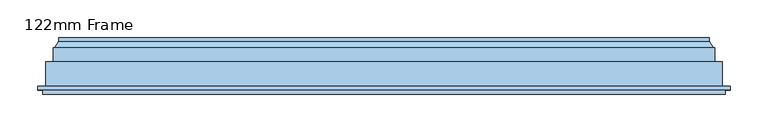
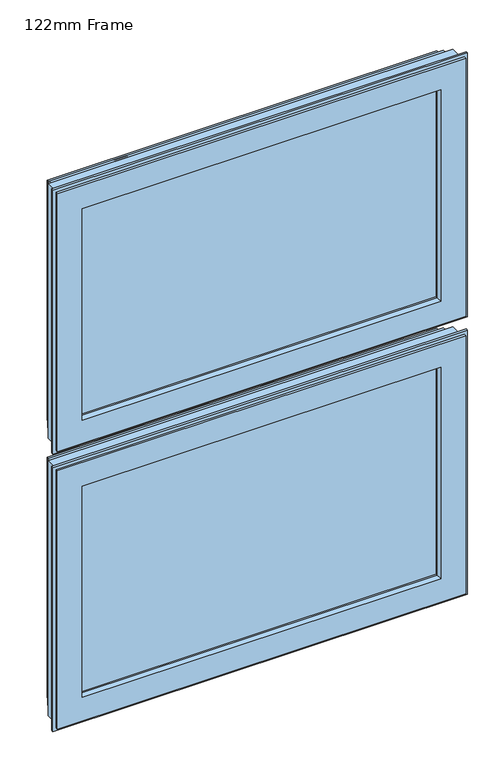
"""IFC4 building model written with IfcOpenShell, lengths in millimetres: window geometry, 122mm Frame."""

from ifc_helpers import new_model, si_unit, frame, origin, place, context, project, spatial, polyline, ellipse_curve, outline, extrude, source, transform, mapped, element, save
from ifc_brep_helpers import plane_surface, cylinder_surface, revolved_surface, advanced_brep


def window_122mm_frame_80c4ec5c(model_context):
    return source(origin(), model_context, "Body", "SolidModel", [
        advanced_brep(
        [(-432.3998467, 153.0, 2168.9334867), (-432.3998467, 148.4070391, 2168.9334867), (-432.3998467, 148.4070391, 2732.3998467), (-432.3998467, 153.0, 2732.3998467), (-437.6739389, 139.5531262, 2163.6593944), (-437.6739389, 139.5531262, 2737.6739389), (-439.5133955, 139.5531262, 2161.8199378), (-439.5133955, 121.0, 2161.8199378), (-439.5133955, 121.0, 2739.5133955), (-439.5133955, 139.5531262, 2739.5133955), (-449.5133955, 121.0, 2151.8199378), (-449.5133955, 88.5, 2151.8199378), (-449.5133955, 88.5, 2749.5133955), (-449.5133955, 121.0, 2749.5133955), (-460.2977, 88.5, 2141.0356334), (-460.2977, 83.5, 2141.0356334), (-460.2977, 83.5, 2760.2977), (-460.2977, 88.5, 2760.2977), (-453.5, 83.5, 2147.8333333), (-453.5, 78.0, 2147.8333333), (-453.5, 78.0, 2753.5), (-453.5, 83.5, 2753.5), (-398.3157816, 78.0, 2203.0175517), (-396.0003067, 88.8934531, 2205.3330267), (-396.0003067, 88.8934531, 2696.0003067), (-398.3157816, 78.0, 2698.3157816), (-396.0003067, 93.0, 2205.3330267), (-396.0003067, 93.0, 2696.0003067), (-410.0, 93.0, 2191.3333333), (-410.0, 141.0, 2191.3333333), (-410.0, 141.0, 2710.0), (-410.0, 93.0, 2710.0), (-395.5878486, 141.0, 2205.7454848), (-399.2566168, 153.0, 2202.0767166), (-399.2566168, 153.0, 2699.2566168), (-395.5878486, 141.0, 2695.5878486), (-406.0349044, 153.0, 2195.298429), (-407.3339425, 152.25, 2193.9993908), (-407.3339425, 152.25, 2707.3339425), (-406.0349044, 153.0, 2706.0349044), (-411.6640695, 152.25, 2189.6692638), (-411.6640695, 152.25, 2711.6640695), (-412.9631076, 153.0, 2188.3702257), (-412.9631076, 153.0, 2712.9631076), (432.3998467, 148.4070391, 2732.3998467), (432.3998467, 153.0, 2732.3998467), (437.6739389, 139.5531262, 2737.6739389), (439.5133955, 121.0, 2739.5133955), (439.5133955, 139.5531262, 2739.5133955), (449.5133955, 88.5, 2749.5133955), (449.5133955, 121.0, 2749.5133955), (460.2976999, 83.5, 2760.2977), (460.2976999, 88.5, 2760.2977), (453.5, 78.0, 2753.5), (453.5, 83.5, 2753.5), (396.0003067, 88.8934531, 2696.0003067), (398.3157816, 78.0, 2698.3157816), (396.0003067, 93.0, 2696.0003067), (410.0, 141.0, 2710.0), (410.0, 93.0, 2710.0), (399.2566168, 153.0, 2699.2566168), (395.5878486, 141.0, 2695.5878486), (407.3339425, 152.25, 2707.3339425), (406.0349044, 153.0, 2706.0349044), (411.6640695, 152.25, 2711.6640695), (412.9631076, 153.0, 2712.9631076), (432.3998467, 148.4070391, 2168.9334867), (432.3998467, 153.0, 2168.9334867), (437.6739389, 139.5531262, 2163.6593944), (439.5133955, 121.0, 2161.8199378), (439.5133955, 139.5531262, 2161.8199378), (449.5133955, 88.5, 2151.8199378), (449.5133955, 121.0, 2151.8199378), (460.2976999, 83.5, 2141.0356334), (460.2976999, 88.5, 2141.0356334), (453.5, 78.0, 2147.8333333), (453.5, 83.5, 2147.8333333), (396.0003067, 88.8934531, 2205.3330267), (398.3157816, 78.0, 2203.0175517), (396.0003067, 93.0, 2205.3330267), (410.0, 141.0, 2191.3333333), (410.0, 93.0, 2191.3333333), (399.2566168, 153.0, 2202.0767166), (395.5878486, 141.0, 2205.7454848), (407.3339425, 152.25, 2193.9993908), (406.0349044, 153.0, 2195.298429), (411.6640695, 152.25, 2189.6692638), (412.9631076, 153.0, 2188.3702257)],
        [
            (0, 1),
            (1, 2),
            (2, 3),
            (3, 0),
            (1, 4),
            (4, 5),
            (5, 2),
            (6, 7),
            (7, 8),
            (8, 9),
            (9, 6),
            (10, 11),
            (11, 12),
            (12, 13),
            (13, 10),
            (14, 15),
            (15, 16),
            (16, 17),
            (17, 14),
            (18, 19),
            (19, 20),
            (20, 21),
            (21, 18),
            (22, 23),
            (23, 24),
            (24, 25),
            (25, 22),
            (23, 26),
            (26, 27),
            (27, 24),
            (28, 29),
            (29, 30),
            (30, 31),
            (31, 28),
            (32, 33),
            (33, 34),
            (34, 35),
            (35, 32),
            (36, 37, ellipse_curve(frame((-406.0349044, 151.5, 2195.298429), z_axis=(-0.7071067811865475, 0.0, 0.7071067811865475), x_axis=(-0.7071067811865474, 0.0, -0.7071067811865476)), 2.1213203, 1.5)),
            (37, 38),
            (38, 39, ellipse_curve(frame((-406.0349044, 151.5, 2706.0349044), z_axis=(-0.7071067811865475, 0.0, -0.7071067811865475), x_axis=(0.7071067811865474, 0.0, -0.7071067811865476)), 2.1213203, 1.5)),
            (39, 36),
            (37, 40, ellipse_curve(frame((-409.499006, 153.5, 2191.8343273), z_axis=(0.7071067811865475, 0.0, -0.7071067811865475), x_axis=(0.7071067811865474, 0.0, 0.7071067811865476)), 3.5355339, 2.5)),
            (40, 41),
            (41, 38, ellipse_curve(frame((-409.499006, 153.5, 2709.499006), z_axis=(0.7071067811865475, 0.0, 0.7071067811865475), x_axis=(-0.7071067811865474, 0.0, 0.7071067811865476)), 3.5355339, 2.5)),
            (40, 42, ellipse_curve(frame((-412.9631076, 151.5, 2188.3702257), z_axis=(-0.7071067811865475, 0.0, 0.7071067811865475), x_axis=(-0.7071067811865474, 0.0, -0.7071067811865476)), 2.1213203, 1.5)),
            (42, 43),
            (43, 41, ellipse_curve(frame((-412.9631076, 151.5, 2712.9631076), z_axis=(-0.7071067811865475, 0.0, -0.7071067811865475), x_axis=(0.7071067811865474, 0.0, -0.7071067811865476)), 2.1213203, 1.5)),
            (2, 44),
            (44, 45),
            (45, 3),
            (5, 46),
            (46, 44),
            (8, 47),
            (47, 48),
            (48, 9),
            (12, 49),
            (49, 50),
            (50, 13),
            (16, 51),
            (51, 52),
            (52, 17),
            (20, 53),
            (53, 54),
            (54, 21),
            (24, 55),
            (55, 56),
            (56, 25),
            (27, 57),
            (57, 55),
            (30, 58),
            (58, 59),
            (59, 31),
            (34, 60),
            (60, 61),
            (61, 35),
            (38, 62),
            (62, 63, ellipse_curve(frame((406.0349044, 151.5, 2706.0349044), z_axis=(-0.7071067811865475, 0.0, 0.7071067811865475), x_axis=(-0.7071067811865476, 0.0, -0.7071067811865474)), 2.1213203, 1.5)),
            (63, 39),
            (41, 64),
            (64, 62, ellipse_curve(frame((409.499006, 153.5, 2709.499006), z_axis=(0.7071067811865475, 0.0, -0.7071067811865475), x_axis=(0.7071067811865476, 0.0, 0.7071067811865474)), 3.5355339, 2.5)),
            (43, 65),
            (65, 64, ellipse_curve(frame((412.9631076, 151.5, 2712.9631076), z_axis=(-0.7071067811865475, 0.0, 0.7071067811865475), x_axis=(-0.7071067811865476, 0.0, -0.7071067811865474)), 2.1213203, 1.5)),
            (44, 66),
            (66, 67),
            (67, 45),
            (46, 68),
            (68, 66),
            (47, 69),
            (69, 70),
            (70, 48),
            (49, 71),
            (71, 72),
            (72, 50),
            (51, 73),
            (73, 74),
            (74, 52),
            (53, 75),
            (75, 76),
            (76, 54),
            (55, 77),
            (77, 78),
            (78, 56),
            (57, 79),
            (79, 77),
            (58, 80),
            (80, 81),
            (81, 59),
            (60, 82),
            (82, 83),
            (83, 61),
            (62, 84),
            (84, 85, ellipse_curve(frame((406.0349044, 151.5, 2195.298429), z_axis=(0.7071067811865475, 0.0, 0.7071067811865475), x_axis=(-0.7071067811865474, 0.0, 0.7071067811865476)), 2.1213203, 1.5)),
            (85, 63),
            (64, 86),
            (86, 84, ellipse_curve(frame((409.499006, 153.5, 2191.8343273), z_axis=(-0.7071067811865475, 0.0, -0.7071067811865475), x_axis=(0.7071067811865474, 0.0, -0.7071067811865476)), 3.5355339, 2.5)),
            (65, 87),
            (87, 86, ellipse_curve(frame((412.9631076, 151.5, 2188.3702257), z_axis=(0.7071067811865475, 0.0, 0.7071067811865475), x_axis=(-0.7071067811865474, 0.0, 0.7071067811865476)), 2.1213203, 1.5)),
            (67, 0),
            (42, 87),
            (66, 1),
            (68, 4),
            (70, 6),
            (69, 7),
            (72, 10),
            (71, 11),
            (74, 14),
            (73, 15),
            (76, 18),
            (75, 19),
            (78, 22),
            (77, 23),
            (79, 26),
            (81, 28),
            (80, 29),
            (83, 32),
            (82, 33),
            (85, 36),
            (84, 37),
            (86, 40),
        ],
        [
            plane_surface(frame((-432.3998467, 148.4070391, 2168.9334867), z_axis=(-1.0, 0.0, 0.0), x_axis=(0.0, 0.0, 1.0))),
            plane_surface(frame((-437.6739389, 139.5531262, 2163.6593944), z_axis=(-0.8591262587254928, 0.5117636872310675, 0.0), x_axis=(0.0, 0.0, 1.0))),
            plane_surface(frame((-439.5133955, 121.0, 2161.8199378), z_axis=(-1.0, 0.0, 0.0), x_axis=(0.0, 0.0, 1.0))),
            plane_surface(frame((-449.5133955, 88.5, 2151.8199378), z_axis=(-1.0, 0.0, 0.0), x_axis=(0.0, 0.0, 1.0))),
            plane_surface(frame((-460.2977, 83.5, 2141.0356334), z_axis=(-1.0, 0.0, 0.0), x_axis=(0.0, 0.0, 1.0))),
            plane_surface(frame((-453.5, 78.0, 2147.8333333), z_axis=(-1.0, 0.0, 0.0), x_axis=(0.0, 0.0, 1.0))),
            plane_surface(frame((-396.0003067, 88.8934531, 2205.3330267), z_axis=(0.9781476007338071, -0.2079116908177525, 0.0), x_axis=(0.0, 0.0, 1.0))),
            plane_surface(frame((-396.0003067, 93.0, 2205.3330267), z_axis=(1.0, 0.0, 0.0), x_axis=(0.0, 0.0, 1.0))),
            plane_surface(frame((-410.0, 141.0, 2191.3333333), z_axis=(1.0, 0.0, 0.0), x_axis=(0.0, 0.0, 1.0))),
            plane_surface(frame((-399.2566168, 153.0, 2202.0767166), z_axis=(0.9563047559629783, 0.29237170472292384, 0.0), x_axis=(0.0, 0.0, 1.0))),
            cylinder_surface(frame((-406.0349044, 151.5, 2163.7333333), z_axis=(0.0, 0.0, -1.0), x_axis=(1.0, 0.0, 0.0)), 1.5),
            revolved_surface(polyline([(-406.999006, 153.5, 2711.999005995805), (-406.999006, 153.5, 2189.334327304195)]), (-409.499006, 153.5, 2163.7333333), (0.0, 0.0, 1.0)),
            cylinder_surface(frame((-412.9631076, 151.5, 2163.7333333), z_axis=(0.0, 0.0, -1.0), x_axis=(1.0, 0.0, 0.0)), 1.5),
            plane_surface(frame((-432.3998467, 148.4070391, 2732.3998467), z_axis=(0.0, 0.0, 1.0), x_axis=(1.0, 0.0, 0.0))),
            plane_surface(frame((-437.6739389, 139.5531262, 2737.6739389), z_axis=(0.0, 0.5117636872310675, 0.8591262587254928), x_axis=(1.0, 0.0, 0.0))),
            plane_surface(frame((-439.5133955, 121.0, 2739.5133955), z_axis=(0.0, 0.0, 1.0), x_axis=(1.0, 0.0, 0.0))),
            plane_surface(frame((-449.5133955, 88.5, 2749.5133955), z_axis=(0.0, 0.0, 1.0), x_axis=(1.0, 0.0, 0.0))),
            plane_surface(frame((-460.2977, 83.5, 2760.2977), z_axis=(0.0, 0.0, 1.0), x_axis=(1.0, 0.0, 0.0))),
            plane_surface(frame((-453.5, 78.0, 2753.5), z_axis=(0.0, 0.0, 1.0), x_axis=(1.0, 0.0, 0.0))),
            plane_surface(frame((-396.0003067, 88.8934531, 2696.0003067), z_axis=(0.0, -0.2079116908177525, -0.9781476007338071), x_axis=(1.0, 0.0, 0.0))),
            plane_surface(frame((-396.0003067, 93.0, 2696.0003067), z_axis=(0.0, 0.0, -1.0), x_axis=(1.0, 0.0, 0.0))),
            plane_surface(frame((-410.0, 141.0, 2710.0), z_axis=(0.0, 0.0, -1.0), x_axis=(1.0, 0.0, 0.0))),
            plane_surface(frame((-399.2566168, 153.0, 2699.2566168), z_axis=(0.0, 0.29237170472292384, -0.9563047559629783), x_axis=(1.0, 0.0, 0.0))),
            cylinder_surface(frame((-437.6, 151.5, 2706.0349044), z_axis=(-1.0, 0.0, 0.0), x_axis=(0.0, 0.0, -1.0)), 1.5),
            revolved_surface(polyline([(411.99900599580496, 153.5, 2706.999006), (-411.9990059958049, 153.5, 2706.999006)]), (-437.6, 153.5, 2709.499006), (1.0, 0.0, 0.0)),
            cylinder_surface(frame((-437.6, 151.5, 2712.9631076), z_axis=(-1.0, 0.0, 0.0), x_axis=(0.0, 0.0, -1.0)), 1.5),
            plane_surface(frame((432.3998467, 148.4070391, 2732.3998467), z_axis=(1.0, 0.0, 0.0), x_axis=(0.0, 0.0, -1.0))),
            plane_surface(frame((437.6739389, 139.5531262, 2737.6739389), z_axis=(0.8591262587254928, 0.5117636872310675, 0.0), x_axis=(0.0, 0.0, -1.0))),
            plane_surface(frame((439.5133955, 121.0, 2739.5133955), z_axis=(1.0, 0.0, 0.0), x_axis=(0.0, 0.0, -1.0))),
            plane_surface(frame((449.5133955, 88.5, 2749.5133955), z_axis=(1.0, 0.0, 0.0), x_axis=(0.0, 0.0, -1.0))),
            plane_surface(frame((460.2976999, 83.5, 2760.2977), z_axis=(1.0, 0.0, 0.0), x_axis=(0.0, 0.0, -1.0))),
            plane_surface(frame((453.5, 78.0, 2753.5), z_axis=(1.0, 0.0, 0.0), x_axis=(0.0, 0.0, -1.0))),
            plane_surface(frame((396.0003067, 88.8934531, 2696.0003067), z_axis=(-0.9781476007338071, -0.2079116908177525, 0.0), x_axis=(0.0, 0.0, -1.0))),
            plane_surface(frame((396.0003067, 93.0, 2696.0003067), z_axis=(-1.0, 0.0, 0.0), x_axis=(0.0, 0.0, -1.0))),
            plane_surface(frame((410.0, 141.0, 2710.0), z_axis=(-1.0, 0.0, 0.0), x_axis=(0.0, 0.0, -1.0))),
            plane_surface(frame((399.2566168, 153.0, 2699.2566168), z_axis=(-0.9563047559629783, 0.29237170472292384, 0.0), x_axis=(0.0, 0.0, -1.0))),
            cylinder_surface(frame((406.0349044, 151.5, 2737.6), z_axis=(0.0, 0.0, 1.0), x_axis=(-1.0, 0.0, 0.0)), 1.5),
            revolved_surface(polyline([(406.999006, 153.5, 2189.334327304195), (406.999006, 153.5, 2711.999005995805)]), (409.499006, 153.5, 2737.6), (0.0, 0.0, -1.0)),
            cylinder_surface(frame((412.9631076, 151.5, 2737.6), z_axis=(0.0, 0.0, 1.0), x_axis=(-1.0, 0.0, 0.0)), 1.5),
            plane_surface(frame((432.3998467, 153.0, 2168.9334867), z_axis=(0.0, 1.0, 0.0), x_axis=(-1.0, 0.0, 0.0))),
            plane_surface(frame((432.3998467, 148.4070391, 2168.9334867), z_axis=(0.0, 0.0, -1.0), x_axis=(-1.0, 0.0, 0.0))),
            plane_surface(frame((437.6739389, 139.5531262, 2163.6593944), z_axis=(0.0, 0.5117636872310675, -0.8591262587254928), x_axis=(-1.0, 0.0, 0.0))),
            plane_surface(frame((439.5133955, 139.5531262, 2161.8199378), z_axis=(0.0, 1.0, 0.0), x_axis=(-1.0, 0.0, 0.0))),
            plane_surface(frame((439.5133955, 121.0, 2161.8199378), z_axis=(0.0, 0.0, -1.0), x_axis=(-1.0, 0.0, 0.0))),
            plane_surface(frame((449.5133955, 121.0, 2151.8199378), z_axis=(0.0, 1.0, 0.0), x_axis=(-1.0, 0.0, 0.0))),
            plane_surface(frame((449.5133955, 88.5, 2151.8199378), z_axis=(0.0, 0.0, -1.0), x_axis=(-1.0, 0.0, 0.0))),
            plane_surface(frame((460.2976999, 88.5, 2141.0356334), z_axis=(0.0, 1.0, 0.0), x_axis=(-1.0, 0.0, 0.0))),
            plane_surface(frame((460.2976999, 83.5, 2141.0356334), z_axis=(0.0, 0.0, -1.0), x_axis=(-1.0, 0.0, 0.0))),
            plane_surface(frame((453.5, 83.5, 2147.8333333), z_axis=(0.0, -1.0, 0.0), x_axis=(-1.0, 0.0, 0.0))),
            plane_surface(frame((453.5, 78.0, 2147.8333333), z_axis=(0.0, 0.0, -1.0), x_axis=(-1.0, 0.0, 0.0))),
            plane_surface(frame((398.3157816, 78.0, 2203.0175517), z_axis=(0.0, -1.0, 0.0), x_axis=(-1.0, 0.0, 0.0))),
            plane_surface(frame((396.0003067, 88.8934531, 2205.3330267), z_axis=(0.0, -0.2079116908177525, 0.9781476007338071), x_axis=(-1.0, 0.0, 0.0))),
            plane_surface(frame((396.0003067, 93.0, 2205.3330267), z_axis=(0.0, 0.0, 1.0), x_axis=(-1.0, 0.0, 0.0))),
            plane_surface(frame((410.0, 93.0, 2191.3333333), z_axis=(0.0, 1.0, 0.0), x_axis=(-1.0, 0.0, 0.0))),
            plane_surface(frame((410.0, 141.0, 2191.3333333), z_axis=(0.0, 0.0, 1.0), x_axis=(-1.0, 0.0, 0.0))),
            plane_surface(frame((395.5878486, 141.0, 2205.7454848), z_axis=(0.0, -1.0, 0.0), x_axis=(-1.0, 0.0, 0.0))),
            plane_surface(frame((399.2566168, 153.0, 2202.0767166), z_axis=(0.0, 0.29237170472292384, 0.9563047559629783), x_axis=(-1.0, 0.0, 0.0))),
            plane_surface(frame((406.0349044, 153.0, 2195.298429), z_axis=(0.0, 1.0, 0.0), x_axis=(-1.0, 0.0, 0.0))),
            cylinder_surface(frame((437.6, 151.5, 2195.298429), z_axis=(1.0, 0.0, 0.0), x_axis=(0.0, 0.0, 1.0)), 1.5),
            revolved_surface(polyline([(-411.99900599580496, 153.5, 2194.3343273), (411.9990059958049, 153.5, 2194.3343273)]), (437.6, 153.5, 2191.8343273), (-1.0, 0.0, 0.0)),
            cylinder_surface(frame((437.6, 151.5, 2188.3702257), z_axis=(1.0, 0.0, 0.0), x_axis=(0.0, 0.0, 1.0)), 1.5),
        ],
        [
            (0, [[1, 2, 3, 4]]),
            (1, [[5, 6, 7, -2]]),
            (2, [[8, 9, 10, 11]]),
            (3, [[12, 13, 14, 15]]),
            (4, [[16, 17, 18, 19]]),
            (5, [[20, 21, 22, 23]]),
            (6, [[24, 25, 26, 27]]),
            (7, [[28, 29, 30, -25]]),
            (8, [[31, 32, 33, 34]]),
            (9, [[35, 36, 37, 38]]),
            (10, [[39, 40, 41, 42]]),
            (11, [[43, 44, 45, -40]]),
            (12, [[46, 47, 48, -44]]),
            (13, [[-3, 49, 50, 51]]),
            (14, [[-7, 52, 53, -49]]),
            (15, [[-10, 54, 55, 56]]),
            (16, [[-14, 57, 58, 59]]),
            (17, [[-18, 60, 61, 62]]),
            (18, [[-22, 63, 64, 65]]),
            (19, [[-26, 66, 67, 68]]),
            (20, [[-30, 69, 70, -66]]),
            (21, [[-33, 71, 72, 73]]),
            (22, [[-37, 74, 75, 76]]),
            (23, [[-41, 77, 78, 79]]),
            (24, [[-45, 80, 81, -77]]),
            (25, [[-48, 82, 83, -80]]),
            (26, [[-50, 84, 85, 86]]),
            (27, [[-53, 87, 88, -84]]),
            (28, [[-55, 89, 90, 91]]),
            (29, [[-58, 92, 93, 94]]),
            (30, [[-61, 95, 96, 97]]),
            (31, [[-64, 98, 99, 100]]),
            (32, [[-67, 101, 102, 103]]),
            (33, [[-70, 104, 105, -101]]),
            (34, [[-72, 106, 107, 108]]),
            (35, [[-75, 109, 110, 111]]),
            (36, [[-78, 112, 113, 114]]),
            (37, [[-81, 115, 116, -112]]),
            (38, [[-83, 117, 118, -115]]),
            (39, [[-51, -86, 119, -4], [120, -117, -82, -47]]),
            (40, [[-85, 121, -1, -119]]),
            (41, [[-88, 122, -5, -121]]),
            (42, [[-56, -91, 123, -11], [-122, -87, -52, -6]]),
            (43, [[-90, 124, -8, -123]]),
            (44, [[-59, -94, 125, -15], [-124, -89, -54, -9]]),
            (45, [[-93, 126, -12, -125]]),
            (46, [[-62, -97, 127, -19], [-126, -92, -57, -13]]),
            (47, [[-96, 128, -16, -127]]),
            (48, [[-128, -95, -60, -17], [-65, -100, 129, -23]]),
            (49, [[-99, 130, -20, -129]]),
            (50, [[-130, -98, -63, -21], [-68, -103, 131, -27]]),
            (51, [[-102, 132, -24, -131]]),
            (52, [[-105, 133, -28, -132]]),
            (53, [[-73, -108, 134, -34], [-133, -104, -69, -29]]),
            (54, [[-107, 135, -31, -134]]),
            (55, [[-135, -106, -71, -32], [-76, -111, 136, -38]]),
            (56, [[-110, 137, -35, -136]]),
            (57, [[-79, -114, 138, -42], [-137, -109, -74, -36]]),
            (58, [[-113, 139, -39, -138]]),
            (59, [[-116, 140, -43, -139]]),
            (60, [[-118, -120, -46, -140]]),
        ],
    ),
        extrude(outline(polyline([(-410.0, 141.0), (410.0, 141.0), (410.0, 93.0), (-410.0, 93.0), (-410.0, 141.0)])), frame((0.0, 0.0, 2191.3333333), z_axis=(0.0, 0.0, 1.0), x_axis=(1.0, 0.0, 0.0)), (0.0, 0.0, 1.0), 518.6666667),
        extrude(outline(polyline([(-410.0, 141.0), (410.0, 141.0), (410.0, 93.0), (-410.0, 93.0), (-410.0, 141.0)])), frame((0.0, 0.0, 1540.6666667), z_axis=(0.0, 0.0, 1.0), x_axis=(1.0, 0.0, 0.0)), (0.0, 0.0, 1.0), 518.6666667),
        advanced_brep(
        [(-432.3998467, 153.0, 1518.26682), (-432.3998467, 148.4070391, 1518.26682), (-432.3998467, 148.4070391, 2081.73318), (-432.3998467, 153.0, 2081.73318), (-437.6739389, 139.5531262, 1512.9927278), (-437.6739389, 139.5531262, 2087.0072722), (-439.5133955, 139.5531262, 1511.1532711), (-439.5133955, 121.0, 1511.1532711), (-439.5133955, 121.0, 2088.8467289), (-439.5133955, 139.5531262, 2088.8467289), (-449.5133955, 121.0, 1501.1532711), (-449.5133955, 88.5, 1501.1532711), (-449.5133955, 88.5, 2098.8467289), (-449.5133955, 121.0, 2098.8467289), (-460.2977, 88.5, 1490.3689667), (-460.2977, 83.5, 1490.3689667), (-460.2977, 83.5, 2109.6310333), (-460.2977, 88.5, 2109.6310333), (-453.5, 83.5, 1497.1666667), (-453.5, 78.0, 1497.1666667), (-453.5, 78.0, 2102.8333333), (-453.5, 83.5, 2102.8333333), (-398.3157816, 78.0, 1552.3508851), (-396.0003067, 88.8934531, 1554.66636), (-396.0003067, 88.8934531, 2045.33364), (-398.3157816, 78.0, 2047.6491149), (-396.0003067, 93.0, 1554.66636), (-396.0003067, 93.0, 2045.33364), (-410.0, 93.0, 1540.6666667), (-410.0, 141.0, 1540.6666667), (-410.0, 141.0, 2059.3333333), (-410.0, 93.0, 2059.3333333), (-395.5878486, 141.0, 1555.0788181), (-399.2566168, 153.0, 1551.4100499), (-399.2566168, 153.0, 2048.5899501), (-395.5878486, 141.0, 2044.9211819), (-406.0349044, 153.0, 1544.6317623), (-407.3339425, 152.25, 1543.3327242), (-407.3339425, 152.25, 2056.6672758), (-406.0349044, 153.0, 2055.3682377), (-411.6640695, 152.25, 1539.0025972), (-411.6640695, 152.25, 2060.9974028), (-412.9631076, 153.0, 1537.7035591), (-412.9631076, 153.0, 2062.2964409), (432.3998467, 148.4070391, 2081.73318), (432.3998467, 153.0, 2081.73318), (437.6739389, 139.5531262, 2087.0072722), (439.5133955, 121.0, 2088.8467289), (439.5133955, 139.5531262, 2088.8467289), (449.5133955, 88.5, 2098.8467289), (449.5133955, 121.0, 2098.8467289), (460.2976999, 83.5, 2109.6310333), (460.2976999, 88.5, 2109.6310333), (453.5, 78.0, 2102.8333333), (453.5, 83.5, 2102.8333333), (396.0003067, 88.8934531, 2045.33364), (398.3157816, 78.0, 2047.6491149), (396.0003067, 93.0, 2045.33364), (410.0, 141.0, 2059.3333333), (410.0, 93.0, 2059.3333333), (399.2566168, 153.0, 2048.5899501), (395.5878486, 141.0, 2044.9211819), (407.3339425, 152.25, 2056.6672758), (406.0349044, 153.0, 2055.3682377), (411.6640695, 152.25, 2060.9974028), (412.9631076, 153.0, 2062.2964409), (432.3998467, 148.4070391, 1518.26682), (432.3998467, 153.0, 1518.26682), (437.6739389, 139.5531262, 1512.9927278), (439.5133955, 121.0, 1511.1532711), (439.5133955, 139.5531262, 1511.1532711), (449.5133955, 88.5, 1501.1532711), (449.5133955, 121.0, 1501.1532711), (460.2976999, 83.5, 1490.3689667), (460.2976999, 88.5, 1490.3689667), (453.5, 78.0, 1497.1666667), (453.5, 83.5, 1497.1666667), (396.0003067, 88.8934531, 1554.66636), (398.3157816, 78.0, 1552.3508851), (396.0003067, 93.0, 1554.66636), (410.0, 141.0, 1540.6666667), (410.0, 93.0, 1540.6666667), (399.2566168, 153.0, 1551.4100499), (395.5878486, 141.0, 1555.0788181), (407.3339425, 152.25, 1543.3327242), (406.0349044, 153.0, 1544.6317623), (411.6640695, 152.25, 1539.0025972), (412.9631076, 153.0, 1537.7035591)],
        [
            (0, 1),
            (1, 2),
            (2, 3),
            (3, 0),
            (1, 4),
            (4, 5),
            (5, 2),
            (6, 7),
            (7, 8),
            (8, 9),
            (9, 6),
            (10, 11),
            (11, 12),
            (12, 13),
            (13, 10),
            (14, 15),
            (15, 16),
            (16, 17),
            (17, 14),
            (18, 19),
            (19, 20),
            (20, 21),
            (21, 18),
            (22, 23),
            (23, 24),
            (24, 25),
            (25, 22),
            (23, 26),
            (26, 27),
            (27, 24),
            (28, 29),
            (29, 30),
            (30, 31),
            (31, 28),
            (32, 33),
            (33, 34),
            (34, 35),
            (35, 32),
            (36, 37, ellipse_curve(frame((-406.0349044, 151.5, 1544.6317623), z_axis=(-0.7071067811865475, 0.0, 0.7071067811865475), x_axis=(-0.7071067811865474, 0.0, -0.7071067811865476)), 2.1213203, 1.5)),
            (37, 38),
            (38, 39, ellipse_curve(frame((-406.0349044, 151.5, 2055.3682377), z_axis=(-0.7071067811865475, 0.0, -0.7071067811865475), x_axis=(0.7071067811865474, 0.0, -0.7071067811865476)), 2.1213203, 1.5)),
            (39, 36),
            (37, 40, ellipse_curve(frame((-409.499006, 153.5, 1541.1676607), z_axis=(0.7071067811865475, 0.0, -0.7071067811865475), x_axis=(0.7071067811865474, 0.0, 0.7071067811865476)), 3.5355339, 2.5)),
            (40, 41),
            (41, 38, ellipse_curve(frame((-409.499006, 153.5, 2058.8323393), z_axis=(0.7071067811865475, 0.0, 0.7071067811865475), x_axis=(-0.7071067811865474, 0.0, 0.7071067811865476)), 3.5355339, 2.5)),
            (40, 42, ellipse_curve(frame((-412.9631076, 151.5, 1537.7035591), z_axis=(-0.7071067811865475, 0.0, 0.7071067811865475), x_axis=(-0.7071067811865474, 0.0, -0.7071067811865476)), 2.1213203, 1.5)),
            (42, 43),
            (43, 41, ellipse_curve(frame((-412.9631076, 151.5, 2062.2964409), z_axis=(-0.7071067811865475, 0.0, -0.7071067811865475), x_axis=(0.7071067811865474, 0.0, -0.7071067811865476)), 2.1213203, 1.5)),
            (2, 44),
            (44, 45),
            (45, 3),
            (5, 46),
            (46, 44),
            (8, 47),
            (47, 48),
            (48, 9),
            (12, 49),
            (49, 50),
            (50, 13),
            (16, 51),
            (51, 52),
            (52, 17),
            (20, 53),
            (53, 54),
            (54, 21),
            (24, 55),
            (55, 56),
            (56, 25),
            (27, 57),
            (57, 55),
            (30, 58),
            (58, 59),
            (59, 31),
            (34, 60),
            (60, 61),
            (61, 35),
            (38, 62),
            (62, 63, ellipse_curve(frame((406.0349044, 151.5, 2055.3682377), z_axis=(-0.7071067811865475, 0.0, 0.7071067811865475), x_axis=(-0.7071067811865476, 0.0, -0.7071067811865474)), 2.1213203, 1.5)),
            (63, 39),
            (41, 64),
            (64, 62, ellipse_curve(frame((409.499006, 153.5, 2058.8323393), z_axis=(0.7071067811865475, 0.0, -0.7071067811865475), x_axis=(0.7071067811865476, 0.0, 0.7071067811865474)), 3.5355339, 2.5)),
            (43, 65),
            (65, 64, ellipse_curve(frame((412.9631076, 151.5, 2062.2964409), z_axis=(-0.7071067811865475, 0.0, 0.7071067811865475), x_axis=(-0.7071067811865476, 0.0, -0.7071067811865474)), 2.1213203, 1.5)),
            (44, 66),
            (66, 67),
            (67, 45),
            (46, 68),
            (68, 66),
            (47, 69),
            (69, 70),
            (70, 48),
            (49, 71),
            (71, 72),
            (72, 50),
            (51, 73),
            (73, 74),
            (74, 52),
            (53, 75),
            (75, 76),
            (76, 54),
            (55, 77),
            (77, 78),
            (78, 56),
            (57, 79),
            (79, 77),
            (58, 80),
            (80, 81),
            (81, 59),
            (60, 82),
            (82, 83),
            (83, 61),
            (62, 84),
            (84, 85, ellipse_curve(frame((406.0349044, 151.5, 1544.6317623), z_axis=(0.7071067811865475, 0.0, 0.7071067811865475), x_axis=(-0.7071067811865474, 0.0, 0.7071067811865476)), 2.1213203, 1.5)),
            (85, 63),
            (64, 86),
            (86, 84, ellipse_curve(frame((409.499006, 153.5, 1541.1676607), z_axis=(-0.7071067811865475, 0.0, -0.7071067811865475), x_axis=(0.7071067811865474, 0.0, -0.7071067811865476)), 3.5355339, 2.5)),
            (65, 87),
            (87, 86, ellipse_curve(frame((412.9631076, 151.5, 1537.7035591), z_axis=(0.7071067811865475, 0.0, 0.7071067811865475), x_axis=(-0.7071067811865474, 0.0, 0.7071067811865476)), 2.1213203, 1.5)),
            (67, 0),
            (42, 87),
            (66, 1),
            (68, 4),
            (70, 6),
            (69, 7),
            (72, 10),
            (71, 11),
            (74, 14),
            (73, 15),
            (76, 18),
            (75, 19),
            (78, 22),
            (77, 23),
            (79, 26),
            (81, 28),
            (80, 29),
            (83, 32),
            (82, 33),
            (85, 36),
            (84, 37),
            (86, 40),
        ],
        [
            plane_surface(frame((-432.3998467, 148.4070391, 1518.26682), z_axis=(-1.0, 0.0, 0.0), x_axis=(0.0, 0.0, 1.0))),
            plane_surface(frame((-437.6739389, 139.5531262, 1512.9927278), z_axis=(-0.8591262587254928, 0.5117636872310675, 0.0), x_axis=(0.0, 0.0, 1.0))),
            plane_surface(frame((-439.5133955, 121.0, 1511.1532711), z_axis=(-1.0, 0.0, 0.0), x_axis=(0.0, 0.0, 1.0))),
            plane_surface(frame((-449.5133955, 88.5, 1501.1532711), z_axis=(-1.0, 0.0, 0.0), x_axis=(0.0, 0.0, 1.0))),
            plane_surface(frame((-460.2977, 83.5, 1490.3689667), z_axis=(-1.0, 0.0, 0.0), x_axis=(0.0, 0.0, 1.0))),
            plane_surface(frame((-453.5, 78.0, 1497.1666667), z_axis=(-1.0, 0.0, 0.0), x_axis=(0.0, 0.0, 1.0))),
            plane_surface(frame((-396.0003067, 88.8934531, 1554.66636), z_axis=(0.9781476007338071, -0.2079116908177525, 0.0), x_axis=(0.0, 0.0, 1.0))),
            plane_surface(frame((-396.0003067, 93.0, 1554.66636), z_axis=(1.0, 0.0, 0.0), x_axis=(0.0, 0.0, 1.0))),
            plane_surface(frame((-410.0, 141.0, 1540.6666667), z_axis=(1.0, 0.0, 0.0), x_axis=(0.0, 0.0, 1.0))),
            plane_surface(frame((-399.2566168, 153.0, 1551.4100499), z_axis=(0.9563047559629783, 0.29237170472292384, 0.0), x_axis=(0.0, 0.0, 1.0))),
            cylinder_surface(frame((-406.0349044, 151.5, 1513.0666667), z_axis=(0.0, 0.0, -1.0), x_axis=(1.0, 0.0, 0.0)), 1.5),
            revolved_surface(polyline([(-406.999006, 153.5, 2061.332339295805), (-406.999006, 153.5, 1538.667660704195)]), (-409.499006, 153.5, 1513.0666667), (0.0, 0.0, 1.0)),
            cylinder_surface(frame((-412.9631076, 151.5, 1513.0666667), z_axis=(0.0, 0.0, -1.0), x_axis=(1.0, 0.0, 0.0)), 1.5),
            plane_surface(frame((-432.3998467, 148.4070391, 2081.73318), z_axis=(0.0, 0.0, 1.0), x_axis=(1.0, 0.0, 0.0))),
            plane_surface(frame((-437.6739389, 139.5531262, 2087.0072722), z_axis=(0.0, 0.5117636872310675, 0.8591262587254928), x_axis=(1.0, 0.0, 0.0))),
            plane_surface(frame((-439.5133955, 121.0, 2088.8467289), z_axis=(0.0, 0.0, 1.0), x_axis=(1.0, 0.0, 0.0))),
            plane_surface(frame((-449.5133955, 88.5, 2098.8467289), z_axis=(0.0, 0.0, 1.0), x_axis=(1.0, 0.0, 0.0))),
            plane_surface(frame((-460.2977, 83.5, 2109.6310333), z_axis=(0.0, 0.0, 1.0), x_axis=(1.0, 0.0, 0.0))),
            plane_surface(frame((-453.5, 78.0, 2102.8333333), z_axis=(0.0, 0.0, 1.0), x_axis=(1.0, 0.0, 0.0))),
            plane_surface(frame((-396.0003067, 88.8934531, 2045.33364), z_axis=(0.0, -0.2079116908177525, -0.9781476007338071), x_axis=(1.0, 0.0, 0.0))),
            plane_surface(frame((-396.0003067, 93.0, 2045.33364), z_axis=(0.0, 0.0, -1.0), x_axis=(1.0, 0.0, 0.0))),
            plane_surface(frame((-410.0, 141.0, 2059.3333333), z_axis=(0.0, 0.0, -1.0), x_axis=(1.0, 0.0, 0.0))),
            plane_surface(frame((-399.2566168, 153.0, 2048.5899501), z_axis=(0.0, 0.29237170472292384, -0.9563047559629783), x_axis=(1.0, 0.0, 0.0))),
            cylinder_surface(frame((-437.6, 151.5, 2055.3682377), z_axis=(-1.0, 0.0, 0.0), x_axis=(0.0, 0.0, -1.0)), 1.5),
            revolved_surface(polyline([(411.99900599580496, 153.5, 2056.3323393), (-411.9990059958049, 153.5, 2056.3323393)]), (-437.6, 153.5, 2058.8323393), (1.0, 0.0, 0.0)),
            cylinder_surface(frame((-437.6, 151.5, 2062.2964409), z_axis=(-1.0, 0.0, 0.0), x_axis=(0.0, 0.0, -1.0)), 1.5),
            plane_surface(frame((432.3998467, 148.4070391, 2081.73318), z_axis=(1.0, 0.0, 0.0), x_axis=(0.0, 0.0, -1.0))),
            plane_surface(frame((437.6739389, 139.5531262, 2087.0072722), z_axis=(0.8591262587254928, 0.5117636872310675, 0.0), x_axis=(0.0, 0.0, -1.0))),
            plane_surface(frame((439.5133955, 121.0, 2088.8467289), z_axis=(1.0, 0.0, 0.0), x_axis=(0.0, 0.0, -1.0))),
            plane_surface(frame((449.5133955, 88.5, 2098.8467289), z_axis=(1.0, 0.0, 0.0), x_axis=(0.0, 0.0, -1.0))),
            plane_surface(frame((460.2976999, 83.5, 2109.6310333), z_axis=(1.0, 0.0, 0.0), x_axis=(0.0, 0.0, -1.0))),
            plane_surface(frame((453.5, 78.0, 2102.8333333), z_axis=(1.0, 0.0, 0.0), x_axis=(0.0, 0.0, -1.0))),
            plane_surface(frame((396.0003067, 88.8934531, 2045.33364), z_axis=(-0.9781476007338071, -0.2079116908177525, 0.0), x_axis=(0.0, 0.0, -1.0))),
            plane_surface(frame((396.0003067, 93.0, 2045.33364), z_axis=(-1.0, 0.0, 0.0), x_axis=(0.0, 0.0, -1.0))),
            plane_surface(frame((410.0, 141.0, 2059.3333333), z_axis=(-1.0, 0.0, 0.0), x_axis=(0.0, 0.0, -1.0))),
            plane_surface(frame((399.2566168, 153.0, 2048.5899501), z_axis=(-0.9563047559629783, 0.29237170472292384, 0.0), x_axis=(0.0, 0.0, -1.0))),
            cylinder_surface(frame((406.0349044, 151.5, 2086.9333333), z_axis=(0.0, 0.0, 1.0), x_axis=(-1.0, 0.0, 0.0)), 1.5),
            revolved_surface(polyline([(406.999006, 153.5, 1538.667660704195), (406.999006, 153.5, 2061.332339295805)]), (409.499006, 153.5, 2086.9333333), (0.0, 0.0, -1.0)),
            cylinder_surface(frame((412.9631076, 151.5, 2086.9333333), z_axis=(0.0, 0.0, 1.0), x_axis=(-1.0, 0.0, 0.0)), 1.5),
            plane_surface(frame((432.3998467, 153.0, 1518.26682), z_axis=(0.0, 1.0, 0.0), x_axis=(-1.0, 0.0, 0.0))),
            plane_surface(frame((432.3998467, 148.4070391, 1518.26682), z_axis=(0.0, 0.0, -1.0), x_axis=(-1.0, 0.0, 0.0))),
            plane_surface(frame((437.6739389, 139.5531262, 1512.9927278), z_axis=(0.0, 0.5117636872310675, -0.8591262587254928), x_axis=(-1.0, 0.0, 0.0))),
            plane_surface(frame((439.5133955, 139.5531262, 1511.1532711), z_axis=(0.0, 1.0, 0.0), x_axis=(-1.0, 0.0, 0.0))),
            plane_surface(frame((439.5133955, 121.0, 1511.1532711), z_axis=(0.0, 0.0, -1.0), x_axis=(-1.0, 0.0, 0.0))),
            plane_surface(frame((449.5133955, 121.0, 1501.1532711), z_axis=(0.0, 1.0, 0.0), x_axis=(-1.0, 0.0, 0.0))),
            plane_surface(frame((449.5133955, 88.5, 1501.1532711), z_axis=(0.0, 0.0, -1.0), x_axis=(-1.0, 0.0, 0.0))),
            plane_surface(frame((460.2976999, 88.5, 1490.3689667), z_axis=(0.0, 1.0, 0.0), x_axis=(-1.0, 0.0, 0.0))),
            plane_surface(frame((460.2976999, 83.5, 1490.3689667), z_axis=(0.0, 0.0, -1.0), x_axis=(-1.0, 0.0, 0.0))),
            plane_surface(frame((453.5, 83.5, 1497.1666667), z_axis=(0.0, -1.0, 0.0), x_axis=(-1.0, 0.0, 0.0))),
            plane_surface(frame((453.5, 78.0, 1497.1666667), z_axis=(0.0, 0.0, -1.0), x_axis=(-1.0, 0.0, 0.0))),
            plane_surface(frame((398.3157816, 78.0, 1552.3508851), z_axis=(0.0, -1.0, 0.0), x_axis=(-1.0, 0.0, 0.0))),
            plane_surface(frame((396.0003067, 88.8934531, 1554.66636), z_axis=(0.0, -0.2079116908177525, 0.9781476007338071), x_axis=(-1.0, 0.0, 0.0))),
            plane_surface(frame((396.0003067, 93.0, 1554.66636), z_axis=(0.0, 0.0, 1.0), x_axis=(-1.0, 0.0, 0.0))),
            plane_surface(frame((410.0, 93.0, 1540.6666667), z_axis=(0.0, 1.0, 0.0), x_axis=(-1.0, 0.0, 0.0))),
            plane_surface(frame((410.0, 141.0, 1540.6666667), z_axis=(0.0, 0.0, 1.0), x_axis=(-1.0, 0.0, 0.0))),
            plane_surface(frame((395.5878486, 141.0, 1555.0788181), z_axis=(0.0, -1.0, 0.0), x_axis=(-1.0, 0.0, 0.0))),
            plane_surface(frame((399.2566168, 153.0, 1551.4100499), z_axis=(0.0, 0.29237170472292384, 0.9563047559629783), x_axis=(-1.0, 0.0, 0.0))),
            plane_surface(frame((406.0349044, 153.0, 1544.6317623), z_axis=(0.0, 1.0, 0.0), x_axis=(-1.0, 0.0, 0.0))),
            cylinder_surface(frame((437.6, 151.5, 1544.6317623), z_axis=(1.0, 0.0, 0.0), x_axis=(0.0, 0.0, 1.0)), 1.5),
            revolved_surface(polyline([(-411.99900599580496, 153.5, 1543.6676607), (411.9990059958049, 153.5, 1543.6676607)]), (437.6, 153.5, 1541.1676607), (-1.0, 0.0, 0.0)),
            cylinder_surface(frame((437.6, 151.5, 1537.7035591), z_axis=(1.0, 0.0, 0.0), x_axis=(0.0, 0.0, 1.0)), 1.5),
        ],
        [
            (0, [[1, 2, 3, 4]]),
            (1, [[5, 6, 7, -2]]),
            (2, [[8, 9, 10, 11]]),
            (3, [[12, 13, 14, 15]]),
            (4, [[16, 17, 18, 19]]),
            (5, [[20, 21, 22, 23]]),
            (6, [[24, 25, 26, 27]]),
            (7, [[28, 29, 30, -25]]),
            (8, [[31, 32, 33, 34]]),
            (9, [[35, 36, 37, 38]]),
            (10, [[39, 40, 41, 42]]),
            (11, [[43, 44, 45, -40]]),
            (12, [[46, 47, 48, -44]]),
            (13, [[-3, 49, 50, 51]]),
            (14, [[-7, 52, 53, -49]]),
            (15, [[-10, 54, 55, 56]]),
            (16, [[-14, 57, 58, 59]]),
            (17, [[-18, 60, 61, 62]]),
            (18, [[-22, 63, 64, 65]]),
            (19, [[-26, 66, 67, 68]]),
            (20, [[-30, 69, 70, -66]]),
            (21, [[-33, 71, 72, 73]]),
            (22, [[-37, 74, 75, 76]]),
            (23, [[-41, 77, 78, 79]]),
            (24, [[-45, 80, 81, -77]]),
            (25, [[-48, 82, 83, -80]]),
            (26, [[-50, 84, 85, 86]]),
            (27, [[-53, 87, 88, -84]]),
            (28, [[-55, 89, 90, 91]]),
            (29, [[-58, 92, 93, 94]]),
            (30, [[-61, 95, 96, 97]]),
            (31, [[-64, 98, 99, 100]]),
            (32, [[-67, 101, 102, 103]]),
            (33, [[-70, 104, 105, -101]]),
            (34, [[-72, 106, 107, 108]]),
            (35, [[-75, 109, 110, 111]]),
            (36, [[-78, 112, 113, 114]]),
            (37, [[-81, 115, 116, -112]]),
            (38, [[-83, 117, 118, -115]]),
            (39, [[-51, -86, 119, -4], [120, -117, -82, -47]]),
            (40, [[-85, 121, -1, -119]]),
            (41, [[-88, 122, -5, -121]]),
            (42, [[-56, -91, 123, -11], [-122, -87, -52, -6]]),
            (43, [[-90, 124, -8, -123]]),
            (44, [[-59, -94, 125, -15], [-124, -89, -54, -9]]),
            (45, [[-93, 126, -12, -125]]),
            (46, [[-62, -97, 127, -19], [-126, -92, -57, -13]]),
            (47, [[-96, 128, -16, -127]]),
            (48, [[-128, -95, -60, -17], [-65, -100, 129, -23]]),
            (49, [[-99, 130, -20, -129]]),
            (50, [[-130, -98, -63, -21], [-68, -103, 131, -27]]),
            (51, [[-102, 132, -24, -131]]),
            (52, [[-105, 133, -28, -132]]),
            (53, [[-73, -108, 134, -34], [-133, -104, -69, -29]]),
            (54, [[-107, 135, -31, -134]]),
            (55, [[-135, -106, -71, -32], [-76, -111, 136, -38]]),
            (56, [[-110, 137, -35, -136]]),
            (57, [[-79, -114, 138, -42], [-137, -109, -74, -36]]),
            (58, [[-113, 139, -39, -138]]),
            (59, [[-116, 140, -43, -139]]),
            (60, [[-118, -120, -46, -140]]),
        ],
    ),
    ])


if __name__ == "__main__":
    model = new_model("IFC4")
    model_context = context("Model", 3, world=origin())
    ifc_project = project(units=[si_unit("LENGTHUNIT", "METRE", prefix="MILLI")], contexts=[model_context])
    site = spatial("IfcSite", under=ifc_project)
    building = spatial("IfcBuilding", under=site)
    placement = place(None, origin())
    window_122mm_frame_shape = window_122mm_frame_80c4ec5c(model_context)
    element("IfcWindow", 1, ObjectType="122mm Frame", at=placement, inside=building, context=model_context, shape_type="MappedRepresentation", body=[
        mapped(window_122mm_frame_shape, transform((0.0, 0.0, 0.0), x_axis=(1.0, 0.0, 0.0), y_axis=(0.0, 1.0, 0.0), z_axis=(0.0, 0.0, 1.0))),
    ])
    save(model, "model.ifc")
